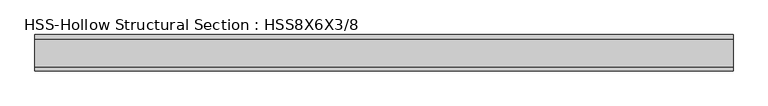
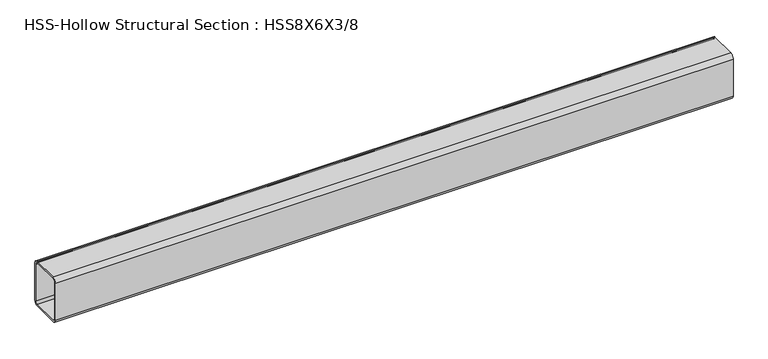
"""IFC4 building model written with IfcOpenShell, lengths in millimetres: beam geometry, HSS-Hollow Structural Section : HSS8X6X3/8."""

from ifc_helpers import new_model, si_unit, point, frame, frame_2d, origin, place, context, project, spatial, polyline, circle_curve, trimmed, segment, composite_curve, outline, extrude, source, transform, mapped, element, save


def hss_hollow_structural_section_hss8x6x3_8_be18fd5b(model_context):
    return source(origin(), model_context, "Body", "SweptSolid", [
        extrude(outline(composite_curve([segment(polyline([(76.2, 83.8708), (76.2, -83.8708)]), True, "CONTINUOUS"), segment(trimmed(circle_curve(frame_2d((58.4708, -83.8708)), 17.7292), [point((76.2, -83.8708))], [point((58.4708, -101.6))], False, "CARTESIAN"), True, "CONTINUOUS"), segment(polyline([(58.4708, -101.6), (-58.4708, -101.6)]), True, "CONTINUOUS"), segment(trimmed(circle_curve(frame_2d((-58.4708, -83.8708)), 17.7292), [point((-58.4708, -101.6))], [point((-76.2, -83.8708))], False, "CARTESIAN"), True, "CONTINUOUS"), segment(polyline([(-76.2, -83.8708), (-76.2, 83.8708)]), True, "CONTINUOUS"), segment(trimmed(circle_curve(frame_2d((-58.4708, 83.8708)), 17.7292), [point((-76.2, 83.8708))], [point((-58.4708, 101.6))], False, "CARTESIAN"), True, "CONTINUOUS"), segment(polyline([(-58.4708, 101.6), (58.4708, 101.6)]), True, "CONTINUOUS"), segment(trimmed(circle_curve(frame_2d((58.4708, 83.8708)), 17.7292), [point((58.4708, 101.6))], [point((76.2, 83.8708))], False, "CARTESIAN"), True, "CONTINUOUS")], self_intersect=False), holes=[composite_curve([segment(trimmed(circle_curve(frame_2d((-58.4708, 83.8708)), 8.8646), [point((-58.4708, 92.7354))], [point((-67.3354, 83.8708))], True, "CARTESIAN"), True, "CONTINUOUS"), segment(polyline([(-67.3354, 83.8708), (-67.3354, -83.8708)]), True, "CONTINUOUS"), segment(trimmed(circle_curve(frame_2d((-58.4708, -83.8708)), 8.8646), [point((-67.3354, -83.8708))], [point((-58.4708, -92.7354))], True, "CARTESIAN"), True, "CONTINUOUS"), segment(polyline([(-58.4708, -92.7354), (58.4708, -92.7354)]), True, "CONTINUOUS"), segment(trimmed(circle_curve(frame_2d((58.4708, -83.8708)), 8.8646), [point((58.4708, -92.7354))], [point((67.3354, -83.8708))], True, "CARTESIAN"), True, "CONTINUOUS"), segment(polyline([(67.3354, -83.8708), (67.3354, 83.8708)]), True, "CONTINUOUS"), segment(trimmed(circle_curve(frame_2d((58.4708, 83.8708)), 8.8646), [point((67.3354, 83.8708))], [point((58.4708, 92.7354))], True, "CARTESIAN"), True, "CONTINUOUS"), segment(polyline([(58.4708, 92.7354), (-58.4708, 92.7354)]), True, "CONTINUOUS")], self_intersect=False)]), frame((-1404.4095406, 0.0, 0.0), z_axis=(1.0, 0.0, 0.0), x_axis=(0.0, 1.0, 0.0)), (0.0, 0.0, 1.0), 2910.4190813),
    ])


if __name__ == "__main__":
    model = new_model("IFC4")
    model_context = context("Model", 3, world=origin())
    ifc_project = project(units=[si_unit("LENGTHUNIT", "METRE", prefix="MILLI")], contexts=[model_context])
    site = spatial("IfcSite", under=ifc_project)
    building = spatial("IfcBuilding", under=site)
    placement = place(None, origin())
    hss_hollow_structural_section_hss8x6x3_8_shape = hss_hollow_structural_section_hss8x6x3_8_be18fd5b(model_context)
    element("IfcBeam", 1, ObjectType="HSS-Hollow Structural Section : HSS8X6X3/8", at=placement, inside=building, context=model_context, shape_type="MappedRepresentation", body=[
        mapped(hss_hollow_structural_section_hss8x6x3_8_shape, transform((0.0, 0.0, 0.0), x_axis=(1.0, 0.0, 0.0), y_axis=(0.0, 1.0, 0.0), z_axis=(0.0, 0.0, 1.0))),
    ])
    save(model, "model.ifc")
